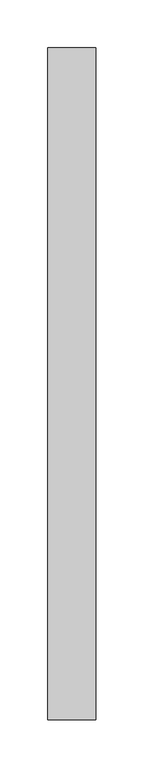
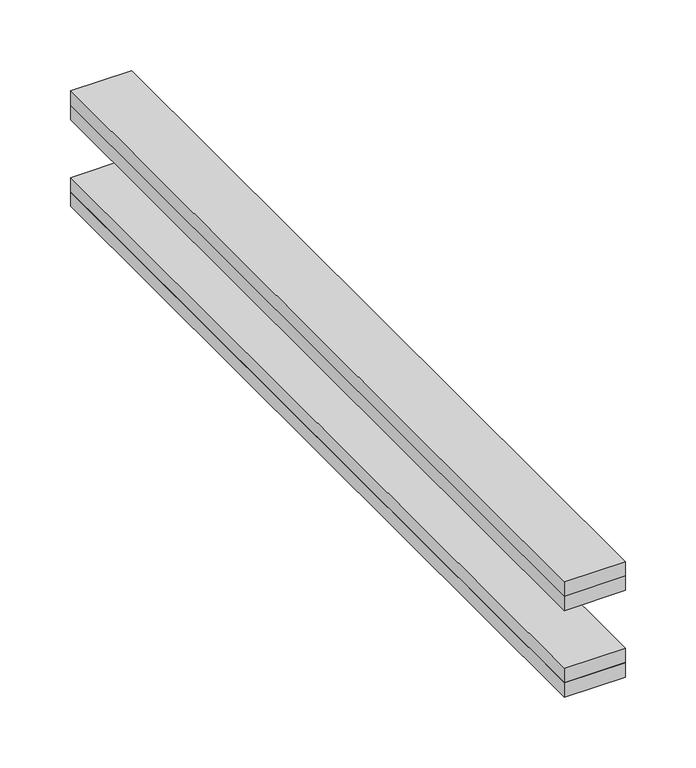
"""IFC4 building model written with IfcOpenShell, lengths in millimetres: proxy geometry."""

from ifc_helpers import new_model, si_unit, frame, origin, place, context, project, spatial, polyline, outline, extrude, source, transform, mapped, element, save


def specialty_equipment_b3d75a9b(model_context):
    return source(origin(), model_context, "Body", "SweptSolid", [
        extrude(outline(polyline([(25.0, 350.0), (25.0, -350.0), (-25.0, -350.0), (-25.0, 350.0), (25.0, 350.0)])), frame((0.0, 0.0, -12.5), z_axis=(0.0, 0.0, 1.0), x_axis=(1.0, 0.0, 0.0)), (0.0, 0.0, 1.0), 12.5),
        extrude(outline(polyline([(25.0, 350.0), (25.0, -350.0), (-25.0, -350.0), (-25.0, 350.0), (25.0, 350.0)])), frame((0.0, 0.0, -25.0), z_axis=(0.0, 0.0, 1.0), x_axis=(1.0, 0.0, 0.0)), (0.0, 0.0, 1.0), 12.5),
        extrude(outline(polyline([(25.0, 350.0), (25.0, -350.0), (-25.0, -350.0), (-25.0, 350.0), (25.0, 350.0)])), frame((0.0, 0.0, -100.0), z_axis=(0.0, 0.0, 1.0), x_axis=(1.0, 0.0, 0.0)), (0.0, 0.0, 1.0), 12.5),
        extrude(outline(polyline([(25.0, 350.0), (25.0, -350.0), (-25.0, -350.0), (-25.0, 350.0), (25.0, 350.0)])), frame((0.0, 0.0, -87.5), z_axis=(0.0, 0.0, 1.0), x_axis=(1.0, 0.0, 0.0)), (0.0, 0.0, 1.0), 12.5),
    ])


if __name__ == "__main__":
    model = new_model("IFC4")
    model_context = context("Model", 3, world=origin())
    ifc_project = project(units=[si_unit("LENGTHUNIT", "METRE", prefix="MILLI")], contexts=[model_context])
    site = spatial("IfcSite", under=ifc_project)
    building = spatial("IfcBuilding", under=site)
    placement = place(None, origin())
    specialty_equipment_shape = specialty_equipment_b3d75a9b(model_context)
    element("IfcBuildingElementProxy", 1, Name="Specialty Equipment", at=placement, inside=building, context=model_context, shape_type="MappedRepresentation", body=[
        mapped(specialty_equipment_shape, transform((0.0, 0.0, 0.0), x_axis=(1.0, 0.0, 0.0), y_axis=(0.0, 1.0, 0.0), z_axis=(0.0, 0.0, 1.0))),
    ])
    save(model, "model.ifc")
